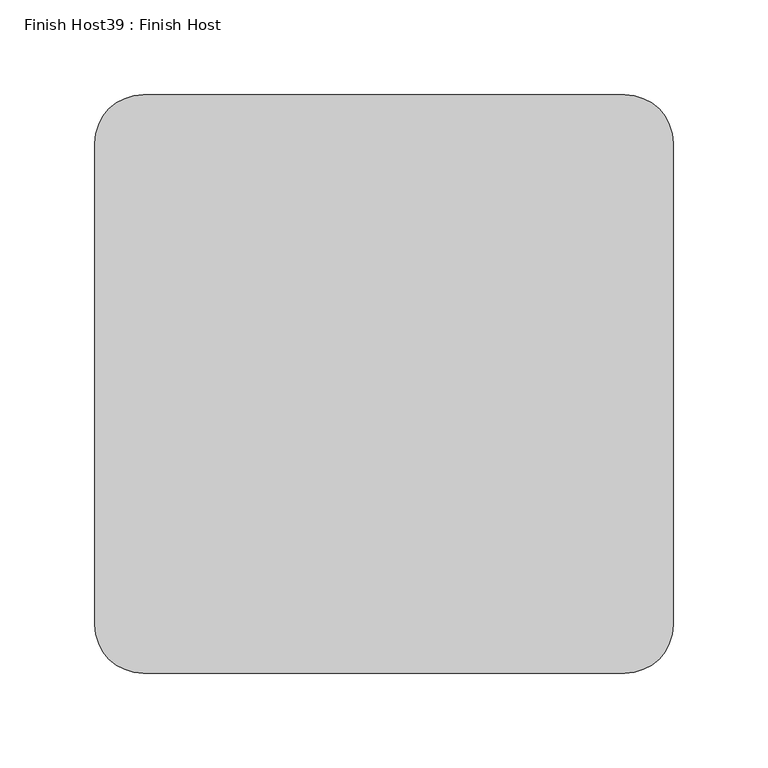
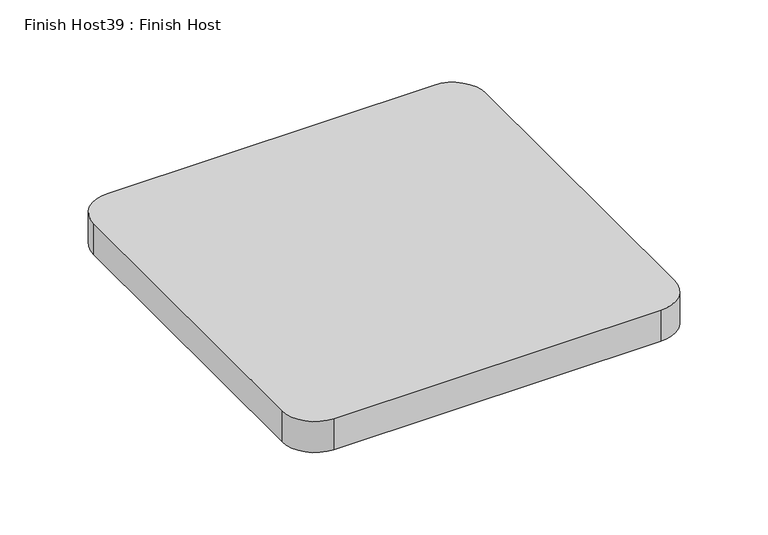
"""IFC4 building model written with IfcOpenShell, lengths in millimetres: proxy geometry, Finish Host39 : Finish Host."""

from ifc_helpers import new_model, si_unit, point, frame_2d, origin, origin_with_axes, place, context, project, spatial, polyline, circle_curve, trimmed, segment, composite_curve, outline, extrude, source, transform, mapped, element, save


def finish_host39_finish_host_09242d3a(model_context):
    return source(origin(), model_context, "Body", "SweptSolid", [
        extrude(outline(composite_curve([segment(polyline([(6118.6934426, 3188.0122951), (6118.6934426, 3442.0122951)]), True, "CONTINUOUS"), segment(trimmed(circle_curve(frame_2d((6144.0934426, 3442.0122951)), 25.4), [point((6118.6934426, 3442.0122951))], [point((6144.0934426, 3467.4122951))], False, "CARTESIAN"), True, "CONTINUOUS"), segment(polyline([(6144.0934426, 3467.4122951), (6398.0934426, 3467.4122951)]), True, "CONTINUOUS"), segment(trimmed(circle_curve(frame_2d((6398.0934426, 3442.0122951)), 25.4), [point((6398.0934426, 3467.4122951))], [point((6423.4934426, 3442.0122951))], False, "CARTESIAN"), True, "CONTINUOUS"), segment(polyline([(6423.4934426, 3442.0122951), (6423.4934426, 3188.0122951)]), True, "CONTINUOUS"), segment(trimmed(circle_curve(frame_2d((6398.0934426, 3188.0122951)), 25.4), [point((6423.4934426, 3188.0122951))], [point((6398.0934426, 3162.6122951))], False, "CARTESIAN"), True, "CONTINUOUS"), segment(polyline([(6398.0934426, 3162.6122951), (6144.0934426, 3162.6122951)]), True, "CONTINUOUS"), segment(trimmed(circle_curve(frame_2d((6144.0934426, 3188.0122951)), 25.4), [point((6144.0934426, 3162.6122951))], [point((6118.6934426, 3188.0122951))], False, "CARTESIAN"), True, "CONTINUOUS")], self_intersect=False)), origin_with_axes(), (0.0, 0.0, 1.0), 25.4),
    ])


if __name__ == "__main__":
    model = new_model("IFC4")
    model_context = context("Model", 3, world=origin())
    ifc_project = project(units=[si_unit("LENGTHUNIT", "METRE", prefix="MILLI")], contexts=[model_context])
    site = spatial("IfcSite", under=ifc_project)
    building = spatial("IfcBuilding", under=site)
    placement = place(None, origin())
    finish_host39_finish_host_shape = finish_host39_finish_host_09242d3a(model_context)
    element("IfcBuildingElementProxy", 1, Name="Finish Host39 : Finish Host", ObjectType="Finish Host39 : Finish Host", at=placement, inside=building, context=model_context, shape_type="MappedRepresentation", body=[
        mapped(finish_host39_finish_host_shape, transform((0.0, 0.0, 0.0), x_axis=(1.0, 0.0, 0.0), y_axis=(0.0, 1.0, 0.0), z_axis=(0.0, 0.0, 1.0))),
    ])
    save(model, "model.ifc")
